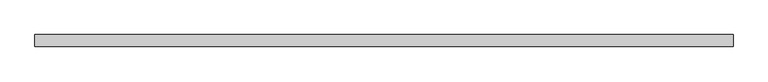
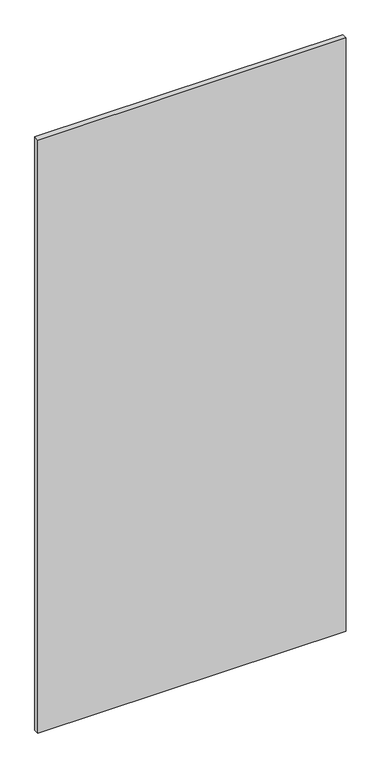
"""IFC4 building model written with IfcOpenShell, lengths in millimetres: plate geometry."""

from ifc_helpers import new_model, si_unit, origin, origin_with_axes, place, context, project, spatial, polyline, outline, extrude, source, transform, mapped, element, save


def plate_9b8abac4(model_context):
    return source(origin(), model_context, "Body", "SweptSolid", [
        extrude(outline(polyline([(725.0, 24.5), (-725.0, 24.5), (-725.0, 49.5), (725.0, 49.5), (725.0, 24.5)])), origin_with_axes(), (0.0, 0.0, 1.0), 2950.0),
    ])


if __name__ == "__main__":
    model = new_model("IFC4")
    model_context = context("Model", 3, world=origin())
    ifc_project = project(units=[si_unit("LENGTHUNIT", "METRE", prefix="MILLI")], contexts=[model_context])
    site = spatial("IfcSite", under=ifc_project)
    building = spatial("IfcBuilding", under=site)
    placement = place(None, origin())
    plate_shape = plate_9b8abac4(model_context)
    element("IfcPlate", 1, at=placement, inside=building, context=model_context, shape_type="MappedRepresentation", body=[
        mapped(plate_shape, transform((0.0, 0.0, 0.0), x_axis=(1.0, 0.0, 0.0), y_axis=(0.0, 1.0, 0.0), z_axis=(0.0, 0.0, 1.0))),
    ])
    save(model, "model.ifc")
